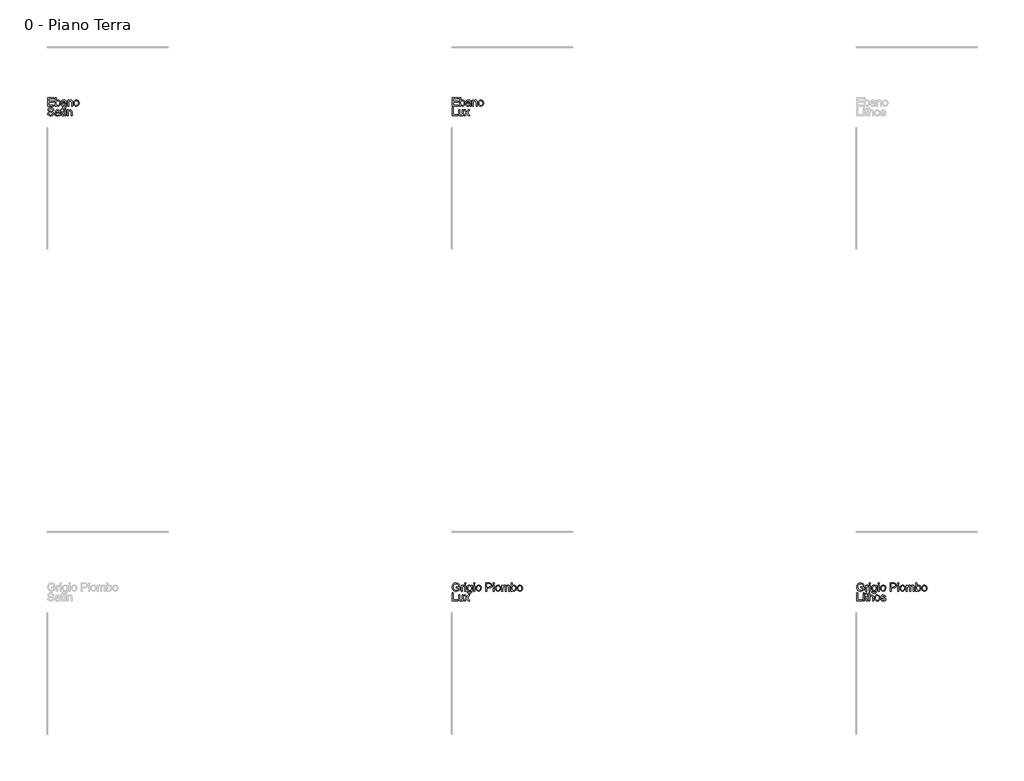
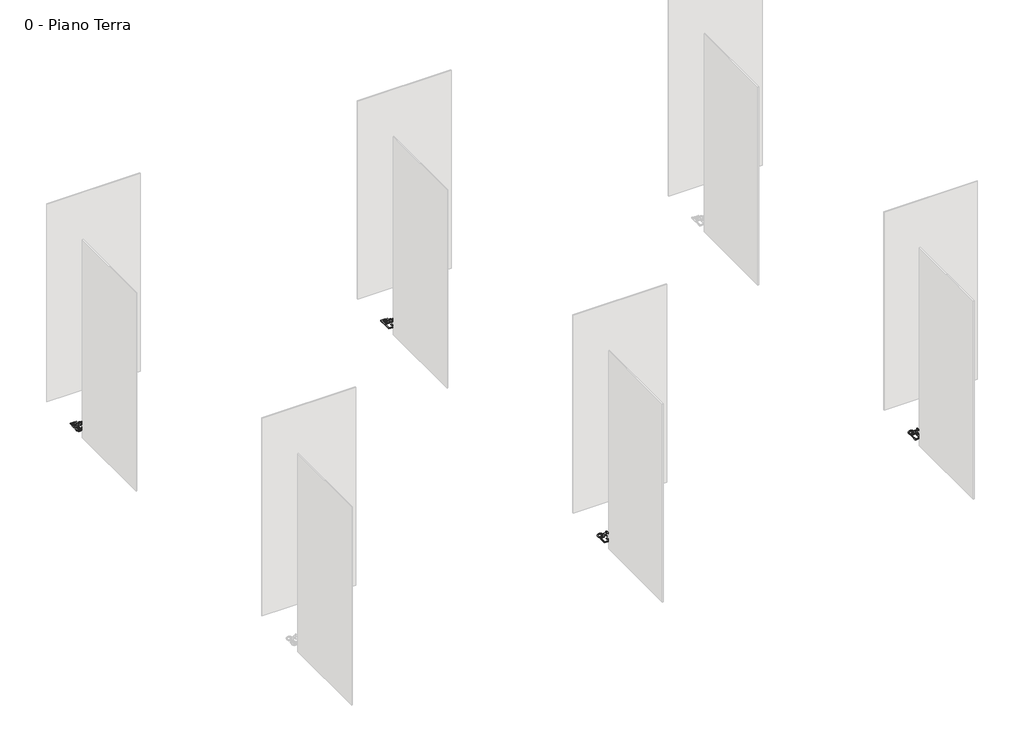
# One storey, part 24 of 35: 4 proxies.
"""IFC4 building model written with IfcOpenShell, lengths in millimetres."""

from ifc_helpers import new_model, si_unit, origin, origin_with_axes, place, context, project, spatial, polyline, outline, extrude, element, save

model = new_model("IFC4")

# Units and contexts
model_context = context("Model", 3, world=origin())
ifc_project = project(units=[si_unit("LENGTHUNIT", "METRE", prefix="MILLI")], contexts=[model_context])

# Site, building, storey
site = spatial("IfcSite", under=ifc_project)
building = spatial("IfcBuilding", under=site)
storey = spatial("IfcBuildingStorey", under=building, Name="0 - Piano Terra", Elevation=0.0)

# Proxies
placement = place(None, origin())
element("IfcBuildingElementProxy", 1, Name="Testo modello 1", ObjectType="Testo modello 1", at=placement, inside=storey, context=model_context, shape_type="SweptSolid", body=[
    extrude(outline(polyline([(2731.7292491, -36273.7592352), (2731.7292491, -36173.302925), (2803.932222, -36173.302925), (2803.932222, -36185.8599638), (2744.2862878, -36185.8599638), (2744.2862878, -36215.6829308), (2800.7929623, -36215.6829308), (2800.7929623, -36228.2399696), (2744.2862878, -36228.2399696), (2744.2862878, -36261.2021964), (2805.5018518, -36261.2021964), (2805.5018518, -36273.7592352), (2731.7292491, -36273.7592352)])), origin_with_axes(), (0.0, 0.0, 1.0), 10.0),
    extrude(outline(polyline([(2835.3248189, -36273.7592352), (2822.7677801, -36273.7592352), (2822.7677801, -36173.302925), (2835.3248189, -36173.302925), (2835.3248189, -36210.5571084), (2844.1171986, -36201.452029), (2855.0432939, -36198.4170025), (2867.6248581, -36201.151592), (2877.3859937, -36208.8403257), (2883.3824702, -36220.7964906), (2885.552974, -36235.7692878), (2883.3058281, -36252.532444), (2876.5643906, -36265.0036437), (2866.6714306, -36272.7475597), (2854.9697175, -36275.328865), (2843.8044989, -36271.9995329), (2835.3248189, -36262.0115368), (2835.3248189, -36273.7592352)]), holes=[polyline([(2835.3248189, -36236.357899), (2838.7583842, -36253.9181329), (2845.3373406, -36260.5584029), (2853.8905969, -36262.7718262), (2861.1378722, -36261.1408827), (2867.3305525, -36256.2480522), (2871.5795895, -36248.1239915), (2872.9959352, -36236.7993574), (2871.6378375, -36225.3091764), (2867.5635444, -36217.2770862), (2861.5640022, -36212.5498025), (2854.4301572, -36210.9740413), (2847.1828819, -36212.6049848), (2840.9902016, -36217.4978154), (2836.7411646, -36225.4747233), (2835.3248189, -36236.357899)])]), origin_with_axes(), (0.0, 0.0, 1.0), 10.0),
    extrude(outline(polyline([(2946.768538, -36264.3414561), (2934.5916439, -36272.8517929), (2921.1394257, -36275.328865), (2910.6455917, -36273.8389429), (2902.9047414, -36269.3691767), (2898.1314725, -36262.5817539), (2896.5403829, -36254.1388621), (2898.9438786, -36244.2060482), (2905.2591862, -36236.9955611), (2914.0515659, -36232.8752828), (2924.9163475, -36230.9868218), (2946.6949616, -36226.6703398), (2946.768538, -36223.8744366), (2943.3104472, -36214.6038103), (2929.4290333, -36210.9740413), (2916.7248417, -36213.3897997), (2910.6670515, -36221.9614502), (2898.1100128, -36220.3918204), (2903.5424036, -36208.1290872), (2914.4807615, -36200.9431256), (2931.0477141, -36198.4170025), (2946.2657659, -36200.64882), (2954.8619419, -36206.252889), (2958.7124401, -36214.7754886), (2959.3255768, -36225.7628975), (2959.3255768, -36241.3856196), (2959.9632389, -36263.2010219), (2962.4648365, -36273.7592352), (2949.9077977, -36273.7592352), (2946.768538, -36264.3414561)]), holes=[polyline([(2946.768538, -36239.2273785), (2926.5105028, -36243.0778768), (2915.7070349, -36245.1134905), (2910.8142043, -36248.4244284), (2909.0974217, -36253.2559453), (2912.8375553, -36260.0494995), (2923.8127015, -36262.7718262), (2936.5168931, -36259.7674566), (2944.7083988, -36252.4956558), (2946.6949616, -36242.7835712), (2946.768538, -36239.2273785)])]), origin_with_axes(), (0.0, 0.0, 1.0), 10.0),
    extrude(outline(polyline([(2976.5915051, -36273.7592352), (2976.5915051, -36199.9866324), (2989.1485438, -36199.9866324), (2989.1485438, -36210.2873283), (2998.7502639, -36201.384584), (3011.8591257, -36198.4170025), (3023.7171886, -36200.8082355), (3031.8105925, -36207.0867549), (3035.5752516, -36216.320593), (3036.2374392, -36228.4606988), (3036.2374392, -36273.7592352), (3023.6804004, -36273.7592352), (3023.6804004, -36230.152956), (3022.2333979, -36219.0429197), (3017.1198382, -36213.1690705), (3008.4991368, -36210.9740413), (2994.8752402, -36215.90366), (2990.5802179, -36223.0467021), (2989.1485438, -36234.6165909), (2989.1485438, -36273.7592352), (2976.5915051, -36273.7592352)])), origin_with_axes(), (0.0, 0.0, 1.0), 10.0),
    extrude(outline(polyline([(3050.3641078, -36236.8729338), (3053.0803032, -36219.0858393), (3061.2288894, -36206.5839828), (3071.2965934, -36200.4587476), (3083.3508601, -36198.4170025), (3096.5424953, -36200.9032717), (3107.0792488, -36208.3620791), (3113.9862332, -36220.2048137), (3116.2885614, -36235.8428642), (3112.217334, -36258.185564), (3100.359271, -36270.8284419), (3083.3508601, -36275.328865), (3069.9998093, -36272.8517929), (3059.4753186, -36265.4205766), (3052.6419105, -36253.3295217), (3050.3641078, -36236.8729338)]), holes=[polyline([(3062.9211466, -36236.8484083), (3064.3742805, -36248.2128963), (3068.7336821, -36256.3093658), (3075.2942444, -36261.1562111), (3083.3508601, -36262.7718262), (3091.3706876, -36261.1470141), (3097.9189871, -36256.2725776), (3102.2783887, -36248.0688092), (3103.7315226, -36236.4560008), (3102.2691917, -36225.4226067), (3097.8821989, -36217.4365017), (3091.3247023, -36212.5896564), (3083.3508601, -36210.9740413), (3075.2942444, -36212.583525), (3068.7336821, -36217.4119762), (3064.3742805, -36225.4900517), (3062.9211466, -36236.8484083)])]), origin_with_axes(), (0.0, 0.0, 1.0), 10.0),
    extrude(outline(polyline([(2727.0203595, -36361.2021964), (2739.5773983, -36361.2021964), (2743.6241003, -36373.7714979), (2753.5078632, -36381.717749), (2768.5664995, -36384.7466441), (2781.687624, -36382.453513), (2790.1611726, -36376.1504681), (2792.9448131, -36367.7259704), (2790.8601484, -36359.8900839), (2782.3252861, -36354.187913), (2764.041551, -36349.3931843), (2744.3598642, -36343.2005041), (2733.6790237, -36333.8563014), (2730.1596192, -36321.372839), (2734.5128895, -36307.1603313), (2747.2293438, -36297.1294156), (2765.8441728, -36293.708113), (2785.7098005, -36297.2888311), (2798.9535523, -36307.8102561), (2803.932222, -36323.5310801), (2791.3751832, -36323.5310801), (2789.0697894, -36316.0385501), (2784.262798, -36310.6306848), (2766.3346821, -36306.2651518), (2748.3575153, -36310.5816338), (2742.716658, -36321.004957), (2746.714309, -36329.7114976), (2767.2175989, -36336.725781), (2789.4376714, -36343.0288258), (2801.59004, -36353.2068944), (2805.5018518, -36367.4071394), (2801.0014288, -36382.4289875), (2788.0519825, -36393.391871), (2769.0570089, -36397.3036828), (2746.6284699, -36393.0853026), (2732.4404876, -36380.3811111), (2727.0203595, -36361.2021964)])), origin_with_axes(), (0.0, 0.0, 1.0), 10.0),
    extrude(outline(polyline([(2869.8566755, -36386.3162739), (2857.6797815, -36394.8266107), (2844.2275632, -36397.3036828), (2833.7337293, -36395.8137608), (2825.992879, -36391.3439945), (2821.2196101, -36384.5565717), (2819.6285205, -36376.1136799), (2822.0320162, -36366.1808661), (2828.3473237, -36358.9703789), (2837.1397034, -36354.8501006), (2848.004485, -36352.9616397), (2869.7830991, -36348.6451576), (2869.8566755, -36345.8492545), (2866.3985848, -36336.5786282), (2852.5171708, -36332.9488592), (2839.8129793, -36335.3646176), (2833.7551891, -36343.9362681), (2821.1981503, -36342.3666382), (2826.6305411, -36330.1039051), (2837.5688991, -36322.9179434), (2854.1358516, -36320.3918204), (2869.3539035, -36322.6236378), (2877.9500794, -36328.2277069), (2881.8005776, -36336.7503064), (2882.4137143, -36347.7377154), (2882.4137143, -36363.3604374), (2883.0513764, -36385.1758397), (2885.552974, -36395.734053), (2872.9959352, -36395.734053), (2869.8566755, -36386.3162739)]), holes=[polyline([(2869.8566755, -36361.2021964), (2849.5986403, -36365.0526946), (2838.7951724, -36367.0883083), (2833.9023419, -36370.3992463), (2832.1855592, -36375.2307631), (2835.9256928, -36382.0243173), (2846.900839, -36384.7466441), (2859.6050306, -36381.7422744), (2867.7965364, -36374.4704737), (2869.7830991, -36364.758389), (2869.8566755, -36361.2021964)])]), origin_with_axes(), (0.0, 0.0, 1.0), 10.0),
    extrude(outline(polyline([(2926.36335, -36385.2616789), (2927.9329798, -36396.101935), (2918.5397262, -36397.3036828), (2908.0183012, -36395.2190182), (2902.7698514, -36389.7498392), (2901.2492725, -36375.5005433), (2901.2492725, -36334.518489), (2891.8314934, -36334.518489), (2891.8314934, -36321.9614502), (2901.2492725, -36321.9614502), (2901.2492725, -36304.0333343), (2913.8063112, -36296.651169), (2913.8063112, -36321.9614502), (2926.36335, -36321.9614502), (2926.36335, -36334.518489), (2913.8063112, -36334.518489), (2913.8063112, -36375.1326613), (2914.4684988, -36381.6073844), (2916.6144771, -36383.9005155), (2920.894171, -36384.7466441), (2926.36335, -36385.2616789)])), origin_with_axes(), (0.0, 0.0, 1.0), 10.0),
    extrude(outline(polyline([(2938.9203888, -36395.734053), (2938.9203888, -36321.9614502), (2951.4774275, -36321.9614502), (2951.4774275, -36395.734053), (2938.9203888, -36395.734053)])), origin_with_axes(), (0.0, 0.0, 1.0), 10.0),
    extrude(outline(polyline([(2938.9203888, -36307.8347816), (2938.9203888, -36295.2777428), (2951.4774275, -36295.2777428), (2951.4774275, -36307.8347816), (2938.9203888, -36307.8347816)])), origin_with_axes(), (0.0, 0.0, 1.0), 10.0),
    extrude(outline(polyline([(2970.3129857, -36395.734053), (2970.3129857, -36321.9614502), (2982.8700244, -36321.9614502), (2982.8700244, -36332.2621461), (2992.4717445, -36323.3594018), (3005.5806063, -36320.3918204), (3017.4386693, -36322.7830534), (3025.5320732, -36329.0615727), (3029.2967322, -36338.2954108), (3029.9589198, -36350.4355167), (3029.9589198, -36395.734053), (3017.4018811, -36395.734053), (3017.4018811, -36352.1277738), (3015.9548785, -36341.0177376), (3010.8413188, -36335.1438884), (3002.2206174, -36332.9488592), (2988.5967208, -36337.8784779), (2984.3016985, -36345.02152), (2982.8700244, -36356.5914087), (2982.8700244, -36395.734053), (2970.3129857, -36395.734053)])), origin_with_axes(), (0.0, 0.0, 1.0), 10.0),
])
element("IfcBuildingElementProxy", 2, Name="Testo modello 1", ObjectType="Testo modello 1", at=placement, inside=storey, context=model_context, shape_type="SweptSolid", body=[
    extrude(outline(polyline([(7731.7292491, -36273.7592352), (7731.7292491, -36173.302925), (7803.932222, -36173.302925), (7803.932222, -36185.8599638), (7744.2862878, -36185.8599638), (7744.2862878, -36215.6829308), (7800.7929623, -36215.6829308), (7800.7929623, -36228.2399696), (7744.2862878, -36228.2399696), (7744.2862878, -36261.2021964), (7805.5018518, -36261.2021964), (7805.5018518, -36273.7592352), (7731.7292491, -36273.7592352)])), origin_with_axes(), (0.0, 0.0, 1.0), 10.0),
    extrude(outline(polyline([(7835.3248189, -36273.7592352), (7822.7677801, -36273.7592352), (7822.7677801, -36173.302925), (7835.3248189, -36173.302925), (7835.3248189, -36210.5571084), (7844.1171986, -36201.452029), (7855.0432939, -36198.4170025), (7867.6248581, -36201.151592), (7877.3859937, -36208.8403257), (7883.3824702, -36220.7964906), (7885.552974, -36235.7692878), (7883.3058281, -36252.532444), (7876.5643906, -36265.0036437), (7866.6714306, -36272.7475597), (7854.9697175, -36275.328865), (7843.8044989, -36271.9995329), (7835.3248189, -36262.0115368), (7835.3248189, -36273.7592352)]), holes=[polyline([(7835.3248189, -36236.357899), (7838.7583842, -36253.9181329), (7845.3373406, -36260.5584029), (7853.8905969, -36262.7718262), (7861.1378722, -36261.1408827), (7867.3305525, -36256.2480522), (7871.5795895, -36248.1239915), (7872.9959352, -36236.7993574), (7871.6378375, -36225.3091764), (7867.5635444, -36217.2770862), (7861.5640022, -36212.5498025), (7854.4301572, -36210.9740413), (7847.1828819, -36212.6049848), (7840.9902016, -36217.4978154), (7836.7411646, -36225.4747233), (7835.3248189, -36236.357899)])]), origin_with_axes(), (0.0, 0.0, 1.0), 10.0),
    extrude(outline(polyline([(7946.768538, -36264.3414561), (7934.5916439, -36272.8517929), (7921.1394257, -36275.328865), (7910.6455917, -36273.8389429), (7902.9047414, -36269.3691767), (7898.1314725, -36262.5817539), (7896.5403829, -36254.1388621), (7898.9438786, -36244.2060482), (7905.2591862, -36236.9955611), (7914.0515659, -36232.8752828), (7924.9163475, -36230.9868218), (7946.6949616, -36226.6703398), (7946.768538, -36223.8744366), (7943.3104472, -36214.6038103), (7929.4290333, -36210.9740413), (7916.7248417, -36213.3897997), (7910.6670515, -36221.9614502), (7898.1100128, -36220.3918204), (7903.5424036, -36208.1290872), (7914.4807615, -36200.9431256), (7931.0477141, -36198.4170025), (7946.2657659, -36200.64882), (7954.8619419, -36206.252889), (7958.7124401, -36214.7754886), (7959.3255768, -36225.7628975), (7959.3255768, -36241.3856196), (7959.9632389, -36263.2010219), (7962.4648365, -36273.7592352), (7949.9077977, -36273.7592352), (7946.768538, -36264.3414561)]), holes=[polyline([(7946.768538, -36239.2273785), (7926.5105028, -36243.0778768), (7915.7070349, -36245.1134905), (7910.8142043, -36248.4244284), (7909.0974217, -36253.2559453), (7912.8375553, -36260.0494995), (7923.8127015, -36262.7718262), (7936.5168931, -36259.7674566), (7944.7083988, -36252.4956558), (7946.6949616, -36242.7835712), (7946.768538, -36239.2273785)])]), origin_with_axes(), (0.0, 0.0, 1.0), 10.0),
    extrude(outline(polyline([(7976.5915051, -36273.7592352), (7976.5915051, -36199.9866324), (7989.1485438, -36199.9866324), (7989.1485438, -36210.2873283), (7998.7502639, -36201.384584), (8011.8591257, -36198.4170025), (8023.7171886, -36200.8082355), (8031.8105925, -36207.0867549), (8035.5752516, -36216.320593), (8036.2374392, -36228.4606988), (8036.2374392, -36273.7592352), (8023.6804004, -36273.7592352), (8023.6804004, -36230.152956), (8022.2333979, -36219.0429197), (8017.1198382, -36213.1690705), (8008.4991368, -36210.9740413), (7994.8752402, -36215.90366), (7990.5802179, -36223.0467021), (7989.1485438, -36234.6165909), (7989.1485438, -36273.7592352), (7976.5915051, -36273.7592352)])), origin_with_axes(), (0.0, 0.0, 1.0), 10.0),
    extrude(outline(polyline([(8050.3641078, -36236.8729338), (8053.0803032, -36219.0858393), (8061.2288894, -36206.5839828), (8071.2965934, -36200.4587476), (8083.3508601, -36198.4170025), (8096.5424953, -36200.9032717), (8107.0792488, -36208.3620791), (8113.9862332, -36220.2048137), (8116.2885614, -36235.8428642), (8112.217334, -36258.185564), (8100.359271, -36270.8284419), (8083.3508601, -36275.328865), (8069.9998093, -36272.8517929), (8059.4753186, -36265.4205766), (8052.6419105, -36253.3295217), (8050.3641078, -36236.8729338)]), holes=[polyline([(8062.9211466, -36236.8484083), (8064.3742805, -36248.2128963), (8068.7336821, -36256.3093658), (8075.2942444, -36261.1562111), (8083.3508601, -36262.7718262), (8091.3706876, -36261.1470141), (8097.9189871, -36256.2725776), (8102.2783887, -36248.0688092), (8103.7315226, -36236.4560008), (8102.2691917, -36225.4226067), (8097.8821989, -36217.4365017), (8091.3247023, -36212.5896564), (8083.3508601, -36210.9740413), (8075.2942444, -36212.583525), (8068.7336821, -36217.4119762), (8064.3742805, -36225.4900517), (8062.9211466, -36236.8484083)])]), origin_with_axes(), (0.0, 0.0, 1.0), 10.0),
    extrude(outline(polyline([(7731.7292491, -36395.734053), (7731.7292491, -36295.2777428), (7744.2862878, -36295.2777428), (7744.2862878, -36383.1770142), (7794.5144429, -36383.1770142), (7794.5144429, -36395.734053), (7731.7292491, -36395.734053)])), origin_with_axes(), (0.0, 0.0, 1.0), 10.0),
    extrude(outline(polyline([(7854.1603771, -36395.734053), (7854.1603771, -36383.0543869), (7844.3256651, -36393.7413589), (7831.4988462, -36397.3036828), (7819.6898341, -36394.8020853), (7811.5473793, -36388.5235659), (7807.8072457, -36379.2774651), (7807.0714817, -36367.6033431), (7807.0714817, -36321.9614502), (7819.6285205, -36321.9614502), (7819.6285205, -36361.6927057), (7820.3888099, -36374.4949991), (7825.3552168, -36382.0120546), (7834.7116823, -36384.7466441), (7845.1963191, -36381.9507409), (7852.1247634, -36374.3355836), (7854.1603771, -36360.3438051), (7854.1603771, -36321.9614502), (7866.7174158, -36321.9614502), (7866.7174158, -36395.734053), (7854.1603771, -36395.734053)])), origin_with_axes(), (0.0, 0.0, 1.0), 10.0),
    extrude(outline(polyline([(7876.1351949, -36395.734053), (7902.9660551, -36358.6515479), (7877.7048248, -36321.9614502), (7892.812512, -36321.9614502), (7905.0016688, -36339.619786), (7910.691577, -36347.9584446), (7915.6211957, -36341.1403649), (7929.5026097, -36321.9614502), (7944.610297, -36321.9614502), (7918.0737424, -36358.6515479), (7943.6292783, -36395.734053), (7928.521591, -36395.734053), (7913.1441236, -36373.4404041), (7910.323695, -36369.3691767), (7891.2428822, -36395.734053), (7876.1351949, -36395.734053)])), origin_with_axes(), (0.0, 0.0, 1.0), 10.0),
])
element("IfcBuildingElementProxy", 3, Name="Testo modello 1", ObjectType="Testo modello 1", at=placement, inside=storey, context=model_context, shape_type="SweptSolid", body=[
    extrude(outline(polyline([(7778.8181445, -42234.518489), (7778.8181445, -42221.9614502), (7819.6285205, -42221.9614502), (7819.6285205, -42259.5099392), (7799.4808499, -42271.3557394), (7778.1804823, -42275.328865), (7764.0936676, -42273.7500381), (7751.3618849, -42269.0135574), (7740.7852775, -42261.2849698), (7733.1639889, -42250.7298223), (7728.5562669, -42238.0685503), (7727.0203595, -42224.0215894), (7728.5501355, -42209.873461), (7733.1394634, -42196.7124826), (7740.5982708, -42185.6729571), (7750.7364855, -42177.8891872), (7763.0850578, -42173.2722682), (7777.1749382, -42171.7332952), (7796.8198368, -42175.3017505), (7810.5908861, -42185.2345644), (7818.1815179, -42201.8505678), (7806.6054978, -42205.1124549), (7800.8788014, -42193.4996465), (7791.0931404, -42186.8041942), (7776.9787345, -42184.2903339), (7760.9022913, -42187.000398), (7749.9639333, -42194.1127832), (7743.5014729, -42203.7880797), (7739.5773983, -42223.5065546), (7744.2985506, -42245.3955333), (7758.0328117, -42258.4921324), (7777.1749382, -42262.7718262), (7794.3550274, -42259.5467274), (7807.0714817, -42252.6673341), (7807.0714817, -42234.518489), (7778.8181445, -42234.518489)])), origin_with_axes(), (0.0, 0.0, 1.0), 10.0),
    extrude(outline(polyline([(7838.4640786, -42273.7592352), (7838.4640786, -42199.9866324), (7849.4514875, -42199.9866324), (7849.4514875, -42210.9004649), (7857.2505858, -42200.8450237), (7865.0987351, -42198.4170025), (7877.7048248, -42202.2920262), (7873.51097, -42213.5492153), (7864.6818021, -42210.9740413), (7857.5816796, -42213.4511134), (7853.0567311, -42220.318244), (7851.0211174, -42234.9844729), (7851.0211174, -42273.7592352), (7838.4640786, -42273.7592352)])), origin_with_axes(), (0.0, 0.0, 1.0), 10.0),
    extrude(outline(polyline([(7885.552974, -42185.8599638), (7885.552974, -42173.302925), (7898.1100128, -42173.302925), (7898.1100128, -42185.8599638), (7885.552974, -42185.8599638)])), origin_with_axes(), (0.0, 0.0, 1.0), 10.0),
    extrude(outline(polyline([(7885.552974, -42273.7592352), (7885.552974, -42199.9866324), (7898.1100128, -42199.9866324), (7898.1100128, -42273.7592352), (7885.552974, -42273.7592352)])), origin_with_axes(), (0.0, 0.0, 1.0), 10.0),
    extrude(outline(polyline([(7913.8063112, -42280.0377545), (7926.36335, -42281.6073844), (7930.4345774, -42288.2292603), (7942.6237342, -42291.0251635), (7955.4750785, -42287.8613783), (7961.6064451, -42278.9831595), (7962.4648365, -42264.3414561), (7953.6234058, -42271.4047904), (7942.8444634, -42273.7592352), (7929.8980828, -42271.0185143), (7920.2442461, -42262.7963517), (7914.2385726, -42250.742085), (7912.2366814, -42236.5050518), (7915.8296622, -42217.0440942), (7926.2284599, -42203.2730449), (7942.2313267, -42198.4170025), (7953.4333335, -42201.1638548), (7962.4648365, -42209.4044115), (7962.4648365, -42199.9866324), (7975.0218752, -42199.9866324), (7975.0218752, -42263.6792685), (7971.5883099, -42288.0698448), (7960.7112656, -42299.4128729), (7942.3784795, -42303.5822022), (7930.6951605, -42302.1137399), (7921.4950449, -42297.708353), (7915.5936046, -42290.3537788), (7913.8063112, -42280.0377545)]), holes=[polyline([(7924.7937201, -42235.6466605), (7926.1334237, -42247.1644326), (7930.1525345, -42255.0830925), (7936.1949963, -42259.6724204), (7943.6047528, -42261.2021964), (7950.9593271, -42259.6816175), (7957.0324457, -42255.1198807), (7961.1067388, -42247.3023883), (7962.4648365, -42236.0145424), (7961.0668849, -42225.1283011), (7956.8730301, -42217.2893489), (7950.7110067, -42212.5528682), (7943.4085491, -42210.9740413), (7936.2379159, -42212.5283427), (7930.2261109, -42217.191247), (7926.1518178, -42224.9137032), (7924.7937201, -42235.6466605)])]), origin_with_axes(), (0.0, 0.0, 1.0), 10.0),
    extrude(outline(polyline([(7993.8574334, -42185.8599638), (7993.8574334, -42173.302925), (8006.4144721, -42173.302925), (8006.4144721, -42185.8599638), (7993.8574334, -42185.8599638)])), origin_with_axes(), (0.0, 0.0, 1.0), 10.0),
    extrude(outline(polyline([(7993.8574334, -42273.7592352), (7993.8574334, -42199.9866324), (8006.4144721, -42199.9866324), (8006.4144721, -42273.7592352), (7993.8574334, -42273.7592352)])), origin_with_axes(), (0.0, 0.0, 1.0), 10.0),
    extrude(outline(polyline([(8022.1107706, -42236.8729338), (8024.826966, -42219.0858393), (8032.9755522, -42206.5839828), (8043.0432561, -42200.4587476), (8055.0975228, -42198.4170025), (8068.289158, -42200.9032717), (8078.8259115, -42208.3620791), (8085.732896, -42220.2048137), (8088.0352241, -42235.8428642), (8083.9639967, -42258.185564), (8072.1059337, -42270.8284419), (8055.0975228, -42275.328865), (8041.7464721, -42272.8517929), (8031.2219813, -42265.4205766), (8024.3885733, -42253.3295217), (8022.1107706, -42236.8729338)]), holes=[polyline([(8034.6678094, -42236.8484083), (8036.1209433, -42248.2128963), (8040.4803449, -42256.3093658), (8047.0409071, -42261.1562111), (8055.0975228, -42262.7718262), (8063.1173503, -42261.1470141), (8069.6656498, -42256.2725776), (8074.0250515, -42248.0688092), (8075.4781854, -42236.4560008), (8074.0158544, -42225.4226067), (8069.6288616, -42217.4365017), (8063.0713651, -42212.5896564), (8055.0975228, -42210.9740413), (8047.0409071, -42212.583525), (8040.4803449, -42217.4119762), (8036.1209433, -42225.4900517), (8034.6678094, -42236.8484083)])]), origin_with_axes(), (0.0, 0.0, 1.0), 10.0),
    extrude(outline(polyline([(8142.9722688, -42273.7592352), (8142.9722688, -42173.302925), (8180.2019267, -42173.302925), (8195.2115121, -42174.2594182), (8207.4129316, -42178.956045), (8215.3223945, -42188.6681297), (8218.3145014, -42202.3656026), (8216.2942161, -42214.2052715), (8210.2333602, -42224.0706403), (8198.8995291, -42230.7293044), (8181.060318, -42232.9488592), (8155.5293075, -42232.9488592), (8155.5293075, -42273.7592352), (8142.9722688, -42273.7592352)]), holes=[polyline([(8155.5293075, -42220.3918204), (8181.796082, -42220.3918204), (8200.2882836, -42215.7810327), (8204.3901678, -42210.232146), (8205.7574626, -42202.807061), (8202.5323638, -42192.4082633), (8194.0588151, -42186.7183551), (8181.5017764, -42185.8599638), (8155.5293075, -42185.8599638), (8155.5293075, -42220.3918204)])]), origin_with_axes(), (0.0, 0.0, 1.0), 10.0),
    extrude(outline(polyline([(8234.0107998, -42185.8599638), (8234.0107998, -42173.302925), (8246.5678386, -42173.302925), (8246.5678386, -42185.8599638), (8234.0107998, -42185.8599638)])), origin_with_axes(), (0.0, 0.0, 1.0), 10.0),
    extrude(outline(polyline([(8234.0107998, -42273.7592352), (8234.0107998, -42199.9866324), (8246.5678386, -42199.9866324), (8246.5678386, -42273.7592352), (8234.0107998, -42273.7592352)])), origin_with_axes(), (0.0, 0.0, 1.0), 10.0),
    extrude(outline(polyline([(8262.2641371, -42236.8729338), (8264.9803325, -42219.0858393), (8273.1289186, -42206.5839828), (8283.1966226, -42200.4587476), (8295.2508893, -42198.4170025), (8308.4425245, -42200.9032717), (8318.979278, -42208.3620791), (8325.8862624, -42220.2048137), (8328.1885906, -42235.8428642), (8324.1173632, -42258.185564), (8312.2593002, -42270.8284419), (8295.2508893, -42275.328865), (8281.8998385, -42272.8517929), (8271.3753478, -42265.4205766), (8264.5419397, -42253.3295217), (8262.2641371, -42236.8729338)]), holes=[polyline([(8274.8211758, -42236.8484083), (8276.2743097, -42248.2128963), (8280.6337113, -42256.3093658), (8287.1942736, -42261.1562111), (8295.2508893, -42262.7718262), (8303.2707168, -42261.1470141), (8309.8190163, -42256.2725776), (8314.1784179, -42248.0688092), (8315.6315518, -42236.4560008), (8314.1692209, -42225.4226067), (8309.7822281, -42217.4365017), (8303.2247315, -42212.5896564), (8295.2508893, -42210.9740413), (8287.1942736, -42212.583525), (8280.6337113, -42217.4119762), (8276.2743097, -42225.4900517), (8274.8211758, -42236.8484083)])]), origin_with_axes(), (0.0, 0.0, 1.0), 10.0),
    extrude(outline(polyline([(8342.3152592, -42273.7592352), (8342.3152592, -42199.9866324), (8354.872298, -42199.9866324), (8354.872298, -42212.1267382), (8363.5052621, -42202.1816616), (8375.7925208, -42198.4170025), (8388.374085, -42202.255238), (8395.2902665, -42213.009655), (8405.0881903, -42202.0651657), (8417.4612881, -42198.4170025), (8426.9005269, -42199.9345158), (8433.8810878, -42204.4870555), (8438.1945042, -42212.1972489), (8439.6323097, -42223.1877235), (8439.6323097, -42273.7592352), (8427.0752709, -42273.7592352), (8427.0752709, -42228.5833261), (8425.9103112, -42218.0986893), (8421.691931, -42212.9360786), (8414.5182321, -42210.9740413), (8402.1696598, -42216.0017619), (8398.4816428, -42222.5439301), (8397.2523038, -42232.1149933), (8397.2523038, -42273.7592352), (8384.695265, -42273.7592352), (8384.695265, -42227.1853746), (8381.7889973, -42215.0207433), (8372.2608536, -42210.9740413), (8362.9657019, -42213.6718426), (8356.7852843, -42221.5690428), (8354.872298, -42236.5541027), (8354.872298, -42273.7592352), (8342.3152592, -42273.7592352)])), origin_with_axes(), (0.0, 0.0, 1.0), 10.0),
    extrude(outline(polyline([(8471.0249066, -42273.7592352), (8458.4678678, -42273.7592352), (8458.4678678, -42173.302925), (8471.0249066, -42173.302925), (8471.0249066, -42210.5571084), (8479.8172863, -42201.452029), (8490.7433815, -42198.4170025), (8503.3249458, -42201.151592), (8513.0860814, -42208.8403257), (8519.0825579, -42220.7964906), (8521.2530617, -42235.7692878), (8519.0059158, -42252.532444), (8512.2644782, -42265.0036437), (8502.3715183, -42272.7475597), (8490.6698051, -42275.328865), (8479.5045866, -42271.9995329), (8471.0249066, -42262.0115368), (8471.0249066, -42273.7592352)]), holes=[polyline([(8471.0249066, -42236.357899), (8474.4584719, -42253.9181329), (8481.0374282, -42260.5584029), (8489.5906846, -42262.7718262), (8496.8379599, -42261.1408827), (8503.0306402, -42256.2480522), (8507.2796772, -42248.1239915), (8508.6960229, -42236.7993574), (8507.3379252, -42225.3091764), (8503.2636321, -42217.2770862), (8497.2640899, -42212.5498025), (8490.1302449, -42210.9740413), (8482.8829696, -42212.6049848), (8476.6902893, -42217.4978154), (8472.4412523, -42225.4747233), (8471.0249066, -42236.357899)])]), origin_with_axes(), (0.0, 0.0, 1.0), 10.0),
    extrude(outline(polyline([(8532.2404706, -42236.8729338), (8534.956666, -42219.0858393), (8543.1052522, -42206.5839828), (8553.1729561, -42200.4587476), (8565.2272228, -42198.4170025), (8578.418858, -42200.9032717), (8588.9556115, -42208.3620791), (8595.862596, -42220.2048137), (8598.1649241, -42235.8428642), (8594.0936967, -42258.185564), (8582.2356337, -42270.8284419), (8565.2272228, -42275.328865), (8551.8761721, -42272.8517929), (8541.3516813, -42265.4205766), (8534.5182733, -42253.3295217), (8532.2404706, -42236.8729338)]), holes=[polyline([(8544.7975093, -42236.8484083), (8546.2506432, -42248.2128963), (8550.6100449, -42256.3093658), (8557.1706071, -42261.1562111), (8565.2272228, -42262.7718262), (8573.2470503, -42261.1470141), (8579.7953498, -42256.2725776), (8584.1547515, -42248.0688092), (8585.6078853, -42236.4560008), (8584.1455544, -42225.4226067), (8579.7585616, -42217.4365017), (8573.2010651, -42212.5896564), (8565.2272228, -42210.9740413), (8557.1706071, -42212.583525), (8550.6100449, -42217.4119762), (8546.2506432, -42225.4900517), (8544.7975093, -42236.8484083)])]), origin_with_axes(), (0.0, 0.0, 1.0), 10.0),
    extrude(outline(polyline([(7731.7292491, -42395.734053), (7731.7292491, -42295.2777428), (7744.2862878, -42295.2777428), (7744.2862878, -42383.1770142), (7794.5144429, -42383.1770142), (7794.5144429, -42395.734053), (7731.7292491, -42395.734053)])), origin_with_axes(), (0.0, 0.0, 1.0), 10.0),
    extrude(outline(polyline([(7854.1603771, -42395.734053), (7854.1603771, -42383.0543869), (7844.3256651, -42393.7413589), (7831.4988462, -42397.3036828), (7819.6898341, -42394.8020853), (7811.5473793, -42388.5235659), (7807.8072457, -42379.2774651), (7807.0714817, -42367.6033431), (7807.0714817, -42321.9614502), (7819.6285205, -42321.9614502), (7819.6285205, -42361.6927057), (7820.3888099, -42374.4949991), (7825.3552168, -42382.0120546), (7834.7116823, -42384.7466441), (7845.1963191, -42381.9507409), (7852.1247634, -42374.3355836), (7854.1603771, -42360.3438051), (7854.1603771, -42321.9614502), (7866.7174158, -42321.9614502), (7866.7174158, -42395.734053), (7854.1603771, -42395.734053)])), origin_with_axes(), (0.0, 0.0, 1.0), 10.0),
    extrude(outline(polyline([(7876.1351949, -42395.734053), (7902.9660551, -42358.6515479), (7877.7048248, -42321.9614502), (7892.812512, -42321.9614502), (7905.0016688, -42339.619786), (7910.691577, -42347.9584446), (7915.6211957, -42341.1403649), (7929.5026097, -42321.9614502), (7944.610297, -42321.9614502), (7918.0737424, -42358.6515479), (7943.6292783, -42395.734053), (7928.521591, -42395.734053), (7913.1441236, -42373.4404041), (7910.323695, -42369.3691767), (7891.2428822, -42395.734053), (7876.1351949, -42395.734053)])), origin_with_axes(), (0.0, 0.0, 1.0), 10.0),
])
element("IfcBuildingElementProxy", 4, Name="Testo modello 1", ObjectType="Testo modello 1", at=placement, inside=storey, context=model_context, shape_type="SweptSolid", body=[
    extrude(outline(polyline([(12778.8181445, -42234.518489), (12778.8181445, -42221.9614502), (12819.6285205, -42221.9614502), (12819.6285205, -42259.5099392), (12799.4808499, -42271.3557394), (12778.1804823, -42275.328865), (12764.0936676, -42273.7500381), (12751.3618849, -42269.0135574), (12740.7852775, -42261.2849698), (12733.1639889, -42250.7298223), (12728.5562669, -42238.0685503), (12727.0203595, -42224.0215894), (12728.5501355, -42209.873461), (12733.1394634, -42196.7124826), (12740.5982708, -42185.6729571), (12750.7364855, -42177.8891872), (12763.0850578, -42173.2722682), (12777.1749382, -42171.7332952), (12796.8198368, -42175.3017505), (12810.5908861, -42185.2345644), (12818.1815179, -42201.8505678), (12806.6054978, -42205.1124549), (12800.8788014, -42193.4996465), (12791.0931404, -42186.8041942), (12776.9787345, -42184.2903339), (12760.9022913, -42187.000398), (12749.9639333, -42194.1127832), (12743.5014729, -42203.7880797), (12739.5773983, -42223.5065546), (12744.2985506, -42245.3955333), (12758.0328117, -42258.4921324), (12777.1749382, -42262.7718262), (12794.3550274, -42259.5467274), (12807.0714817, -42252.6673341), (12807.0714817, -42234.518489), (12778.8181445, -42234.518489)])), origin_with_axes(), (0.0, 0.0, 1.0), 10.0),
    extrude(outline(polyline([(12838.4640786, -42273.7592352), (12838.4640786, -42199.9866324), (12849.4514875, -42199.9866324), (12849.4514875, -42210.9004649), (12857.2505858, -42200.8450237), (12865.0987351, -42198.4170025), (12877.7048248, -42202.2920262), (12873.51097, -42213.5492153), (12864.6818021, -42210.9740413), (12857.5816796, -42213.4511134), (12853.0567311, -42220.318244), (12851.0211174, -42234.9844729), (12851.0211174, -42273.7592352), (12838.4640786, -42273.7592352)])), origin_with_axes(), (0.0, 0.0, 1.0), 10.0),
    extrude(outline(polyline([(12885.552974, -42185.8599638), (12885.552974, -42173.302925), (12898.1100128, -42173.302925), (12898.1100128, -42185.8599638), (12885.552974, -42185.8599638)])), origin_with_axes(), (0.0, 0.0, 1.0), 10.0),
    extrude(outline(polyline([(12885.552974, -42273.7592352), (12885.552974, -42199.9866324), (12898.1100128, -42199.9866324), (12898.1100128, -42273.7592352), (12885.552974, -42273.7592352)])), origin_with_axes(), (0.0, 0.0, 1.0), 10.0),
    extrude(outline(polyline([(12913.8063112, -42280.0377545), (12926.36335, -42281.6073844), (12930.4345774, -42288.2292603), (12942.6237342, -42291.0251635), (12955.4750785, -42287.8613783), (12961.6064451, -42278.9831595), (12962.4648365, -42264.3414561), (12953.6234058, -42271.4047904), (12942.8444634, -42273.7592352), (12929.8980828, -42271.0185143), (12920.2442461, -42262.7963517), (12914.2385726, -42250.742085), (12912.2366814, -42236.5050518), (12915.8296622, -42217.0440942), (12926.2284599, -42203.2730449), (12942.2313267, -42198.4170025), (12953.4333335, -42201.1638548), (12962.4648365, -42209.4044115), (12962.4648365, -42199.9866324), (12975.0218752, -42199.9866324), (12975.0218752, -42263.6792685), (12971.5883099, -42288.0698448), (12960.7112656, -42299.4128729), (12942.3784795, -42303.5822022), (12930.6951605, -42302.1137399), (12921.4950449, -42297.708353), (12915.5936046, -42290.3537788), (12913.8063112, -42280.0377545)]), holes=[polyline([(12924.7937201, -42235.6466605), (12926.1334237, -42247.1644326), (12930.1525345, -42255.0830925), (12936.1949963, -42259.6724204), (12943.6047528, -42261.2021964), (12950.9593271, -42259.6816175), (12957.0324457, -42255.1198807), (12961.1067388, -42247.3023883), (12962.4648365, -42236.0145424), (12961.0668849, -42225.1283011), (12956.8730301, -42217.2893489), (12950.7110067, -42212.5528682), (12943.4085491, -42210.9740413), (12936.2379159, -42212.5283427), (12930.2261109, -42217.191247), (12926.1518178, -42224.9137032), (12924.7937201, -42235.6466605)])]), origin_with_axes(), (0.0, 0.0, 1.0), 10.0),
    extrude(outline(polyline([(12993.8574334, -42185.8599638), (12993.8574334, -42173.302925), (13006.4144721, -42173.302925), (13006.4144721, -42185.8599638), (12993.8574334, -42185.8599638)])), origin_with_axes(), (0.0, 0.0, 1.0), 10.0),
    extrude(outline(polyline([(12993.8574334, -42273.7592352), (12993.8574334, -42199.9866324), (13006.4144721, -42199.9866324), (13006.4144721, -42273.7592352), (12993.8574334, -42273.7592352)])), origin_with_axes(), (0.0, 0.0, 1.0), 10.0),
    extrude(outline(polyline([(13022.1107706, -42236.8729338), (13024.826966, -42219.0858393), (13032.9755522, -42206.5839828), (13043.0432561, -42200.4587476), (13055.0975228, -42198.4170025), (13068.289158, -42200.9032717), (13078.8259115, -42208.3620791), (13085.732896, -42220.2048137), (13088.0352241, -42235.8428642), (13083.9639967, -42258.185564), (13072.1059337, -42270.8284419), (13055.0975228, -42275.328865), (13041.7464721, -42272.8517929), (13031.2219813, -42265.4205766), (13024.3885733, -42253.3295217), (13022.1107706, -42236.8729338)]), holes=[polyline([(13034.6678094, -42236.8484083), (13036.1209433, -42248.2128963), (13040.4803449, -42256.3093658), (13047.0409071, -42261.1562111), (13055.0975228, -42262.7718262), (13063.1173503, -42261.1470141), (13069.6656498, -42256.2725776), (13074.0250515, -42248.0688092), (13075.4781854, -42236.4560008), (13074.0158544, -42225.4226067), (13069.6288616, -42217.4365017), (13063.0713651, -42212.5896564), (13055.0975228, -42210.9740413), (13047.0409071, -42212.583525), (13040.4803449, -42217.4119762), (13036.1209433, -42225.4900517), (13034.6678094, -42236.8484083)])]), origin_with_axes(), (0.0, 0.0, 1.0), 10.0),
    extrude(outline(polyline([(13142.9722688, -42273.7592352), (13142.9722688, -42173.302925), (13180.2019267, -42173.302925), (13195.2115121, -42174.2594182), (13207.4129316, -42178.956045), (13215.3223945, -42188.6681297), (13218.3145014, -42202.3656026), (13216.2942161, -42214.2052715), (13210.2333602, -42224.0706403), (13198.8995291, -42230.7293044), (13181.060318, -42232.9488592), (13155.5293075, -42232.9488592), (13155.5293075, -42273.7592352), (13142.9722688, -42273.7592352)]), holes=[polyline([(13155.5293075, -42220.3918204), (13181.796082, -42220.3918204), (13200.2882836, -42215.7810327), (13204.3901678, -42210.232146), (13205.7574626, -42202.807061), (13202.5323638, -42192.4082633), (13194.0588151, -42186.7183551), (13181.5017764, -42185.8599638), (13155.5293075, -42185.8599638), (13155.5293075, -42220.3918204)])]), origin_with_axes(), (0.0, 0.0, 1.0), 10.0),
    extrude(outline(polyline([(13234.0107998, -42185.8599638), (13234.0107998, -42173.302925), (13246.5678386, -42173.302925), (13246.5678386, -42185.8599638), (13234.0107998, -42185.8599638)])), origin_with_axes(), (0.0, 0.0, 1.0), 10.0),
    extrude(outline(polyline([(13234.0107998, -42273.7592352), (13234.0107998, -42199.9866324), (13246.5678386, -42199.9866324), (13246.5678386, -42273.7592352), (13234.0107998, -42273.7592352)])), origin_with_axes(), (0.0, 0.0, 1.0), 10.0),
    extrude(outline(polyline([(13262.2641371, -42236.8729338), (13264.9803325, -42219.0858393), (13273.1289186, -42206.5839828), (13283.1966226, -42200.4587476), (13295.2508893, -42198.4170025), (13308.4425245, -42200.9032717), (13318.979278, -42208.3620791), (13325.8862624, -42220.2048137), (13328.1885906, -42235.8428642), (13324.1173632, -42258.185564), (13312.2593002, -42270.8284419), (13295.2508893, -42275.328865), (13281.8998385, -42272.8517929), (13271.3753478, -42265.4205766), (13264.5419397, -42253.3295217), (13262.2641371, -42236.8729338)]), holes=[polyline([(13274.8211758, -42236.8484083), (13276.2743097, -42248.2128963), (13280.6337113, -42256.3093658), (13287.1942736, -42261.1562111), (13295.2508893, -42262.7718262), (13303.2707168, -42261.1470141), (13309.8190163, -42256.2725776), (13314.1784179, -42248.0688092), (13315.6315518, -42236.4560008), (13314.1692209, -42225.4226067), (13309.7822281, -42217.4365017), (13303.2247315, -42212.5896564), (13295.2508893, -42210.9740413), (13287.1942736, -42212.583525), (13280.6337113, -42217.4119762), (13276.2743097, -42225.4900517), (13274.8211758, -42236.8484083)])]), origin_with_axes(), (0.0, 0.0, 1.0), 10.0),
    extrude(outline(polyline([(13342.3152592, -42273.7592352), (13342.3152592, -42199.9866324), (13354.872298, -42199.9866324), (13354.872298, -42212.1267382), (13363.5052621, -42202.1816616), (13375.7925208, -42198.4170025), (13388.374085, -42202.255238), (13395.2902665, -42213.009655), (13405.0881903, -42202.0651657), (13417.4612881, -42198.4170025), (13426.9005269, -42199.9345158), (13433.8810878, -42204.4870555), (13438.1945042, -42212.1972489), (13439.6323097, -42223.1877235), (13439.6323097, -42273.7592352), (13427.0752709, -42273.7592352), (13427.0752709, -42228.5833261), (13425.9103112, -42218.0986893), (13421.691931, -42212.9360786), (13414.5182321, -42210.9740413), (13402.1696598, -42216.0017619), (13398.4816428, -42222.5439301), (13397.2523038, -42232.1149933), (13397.2523038, -42273.7592352), (13384.695265, -42273.7592352), (13384.695265, -42227.1853746), (13381.7889973, -42215.0207433), (13372.2608536, -42210.9740413), (13362.9657019, -42213.6718426), (13356.7852843, -42221.5690428), (13354.872298, -42236.5541027), (13354.872298, -42273.7592352), (13342.3152592, -42273.7592352)])), origin_with_axes(), (0.0, 0.0, 1.0), 10.0),
    extrude(outline(polyline([(13471.0249066, -42273.7592352), (13458.4678678, -42273.7592352), (13458.4678678, -42173.302925), (13471.0249066, -42173.302925), (13471.0249066, -42210.5571084), (13479.8172863, -42201.452029), (13490.7433815, -42198.4170025), (13503.3249458, -42201.151592), (13513.0860814, -42208.8403257), (13519.0825579, -42220.7964906), (13521.2530617, -42235.7692878), (13519.0059158, -42252.532444), (13512.2644782, -42265.0036437), (13502.3715183, -42272.7475597), (13490.6698051, -42275.328865), (13479.5045866, -42271.9995329), (13471.0249066, -42262.0115368), (13471.0249066, -42273.7592352)]), holes=[polyline([(13471.0249066, -42236.357899), (13474.4584719, -42253.9181329), (13481.0374282, -42260.5584029), (13489.5906846, -42262.7718262), (13496.8379599, -42261.1408827), (13503.0306402, -42256.2480522), (13507.2796772, -42248.1239915), (13508.6960229, -42236.7993574), (13507.3379252, -42225.3091764), (13503.2636321, -42217.2770862), (13497.2640899, -42212.5498025), (13490.1302449, -42210.9740413), (13482.8829696, -42212.6049848), (13476.6902893, -42217.4978154), (13472.4412523, -42225.4747233), (13471.0249066, -42236.357899)])]), origin_with_axes(), (0.0, 0.0, 1.0), 10.0),
    extrude(outline(polyline([(13532.2404706, -42236.8729338), (13534.956666, -42219.0858393), (13543.1052522, -42206.5839828), (13553.1729561, -42200.4587476), (13565.2272228, -42198.4170025), (13578.418858, -42200.9032717), (13588.9556115, -42208.3620791), (13595.862596, -42220.2048137), (13598.1649241, -42235.8428642), (13594.0936967, -42258.185564), (13582.2356337, -42270.8284419), (13565.2272228, -42275.328865), (13551.8761721, -42272.8517929), (13541.3516813, -42265.4205766), (13534.5182733, -42253.3295217), (13532.2404706, -42236.8729338)]), holes=[polyline([(13544.7975093, -42236.8484083), (13546.2506432, -42248.2128963), (13550.6100449, -42256.3093658), (13557.1706071, -42261.1562111), (13565.2272228, -42262.7718262), (13573.2470503, -42261.1470141), (13579.7953498, -42256.2725776), (13584.1547515, -42248.0688092), (13585.6078853, -42236.4560008), (13584.1455544, -42225.4226067), (13579.7585616, -42217.4365017), (13573.2010651, -42212.5896564), (13565.2272228, -42210.9740413), (13557.1706071, -42212.583525), (13550.6100449, -42217.4119762), (13546.2506432, -42225.4900517), (13544.7975093, -42236.8484083)])]), origin_with_axes(), (0.0, 0.0, 1.0), 10.0),
    extrude(outline(polyline([(12731.7292491, -42395.734053), (12731.7292491, -42295.2777428), (12744.2862878, -42295.2777428), (12744.2862878, -42383.1770142), (12794.5144429, -42383.1770142), (12794.5144429, -42395.734053), (12731.7292491, -42395.734053)])), origin_with_axes(), (0.0, 0.0, 1.0), 10.0),
    extrude(outline(polyline([(12807.0714817, -42307.8347816), (12807.0714817, -42295.2777428), (12819.6285205, -42295.2777428), (12819.6285205, -42307.8347816), (12807.0714817, -42307.8347816)])), origin_with_axes(), (0.0, 0.0, 1.0), 10.0),
    extrude(outline(polyline([(12807.0714817, -42395.734053), (12807.0714817, -42321.9614502), (12819.6285205, -42321.9614502), (12819.6285205, -42395.734053), (12807.0714817, -42395.734053)])), origin_with_axes(), (0.0, 0.0, 1.0), 10.0),
    extrude(outline(polyline([(12865.147786, -42385.2616789), (12866.7174158, -42396.101935), (12857.3241622, -42397.3036828), (12846.8027372, -42395.2190182), (12841.5542874, -42389.7498392), (12840.0337085, -42375.5005433), (12840.0337085, -42334.518489), (12830.6159294, -42334.518489), (12830.6159294, -42321.9614502), (12840.0337085, -42321.9614502), (12840.0337085, -42304.0333343), (12852.5907472, -42296.651169), (12852.5907472, -42321.9614502), (12865.147786, -42321.9614502), (12865.147786, -42334.518489), (12852.5907472, -42334.518489), (12852.5907472, -42375.1326613), (12853.2529348, -42381.6073844), (12855.3989131, -42383.9005155), (12859.678607, -42384.7466441), (12865.147786, -42385.2616789)])), origin_with_axes(), (0.0, 0.0, 1.0), 10.0),
    extrude(outline(polyline([(12877.7048248, -42395.734053), (12877.7048248, -42295.2777428), (12890.2618635, -42295.2777428), (12890.2618635, -42332.2130952), (12900.053656, -42323.3471391), (12912.114054, -42320.3918204), (12926.2161972, -42323.6169192), (12934.7755849, -42332.5319262), (12937.3507589, -42349.0375651), (12937.3507589, -42395.734053), (12924.7937201, -42395.734053), (12924.7937201, -42350.3374148), (12920.7960691, -42337.093663), (12909.4653037, -42332.9488592), (12899.1768705, -42335.7447623), (12892.30974, -42343.3231314), (12890.2618635, -42356.5423578), (12890.2618635, -42395.734053), (12877.7048248, -42395.734053)])), origin_with_axes(), (0.0, 0.0, 1.0), 10.0),
    extrude(outline(polyline([(12951.4774275, -42358.8477516), (12954.1936229, -42341.0606571), (12962.3422091, -42328.5588007), (12972.4099131, -42322.4335655), (12984.4641798, -42320.3918204), (12997.655815, -42322.8780895), (13008.1925685, -42330.336897), (13015.0995529, -42342.1796315), (13017.4018811, -42357.817682), (13013.3306537, -42380.1603819), (13001.4725907, -42392.8032598), (12984.4641798, -42397.3036828), (12971.113129, -42394.8266107), (12960.5886383, -42387.3953944), (12953.7552302, -42375.3043395), (12951.4774275, -42358.8477516)]), holes=[polyline([(12964.0344663, -42358.8232261), (12965.4876002, -42370.1877141), (12969.8470018, -42378.2841837), (12976.4075641, -42383.131029), (12984.4641798, -42384.7466441), (12992.4840073, -42383.1218319), (12999.0323068, -42378.2473955), (13003.3917084, -42370.043627), (13004.8448423, -42358.4308187), (13003.3825114, -42347.3974245), (12998.9955186, -42339.4113195), (12992.438022, -42334.5644742), (12984.4641798, -42332.9488592), (12976.4075641, -42334.5583429), (12969.8470018, -42339.3867941), (12965.4876002, -42347.4648695), (12964.0344663, -42358.8232261)])]), origin_with_axes(), (0.0, 0.0, 1.0), 10.0),
    extrude(outline(polyline([(13026.8196601, -42373.7592352), (13039.3766989, -42372.1896053), (13045.1892344, -42381.5092825), (13058.5065627, -42384.7466441), (13071.3088561, -42381.7790626), (13075.4781854, -42374.8138302), (13071.2843306, -42369.1729729), (13058.3594099, -42365.5922549), (13039.4502753, -42359.4486255), (13031.1974559, -42352.2749266), (13028.38929, -42342.145909), (13030.6456329, -42332.7894436), (13036.8015249, -42325.6402702), (13044.7845642, -42321.924662), (13055.5880322, -42320.3918204), (13070.8673977, -42322.8566298), (13080.5794824, -42329.5275566), (13084.8959644, -42340.7970084), (13072.3389257, -42342.3666382), (13067.6177734, -42335.438194), (13056.5690508, -42332.9488592), (13044.5515723, -42335.3278294), (13040.9463288, -42340.8705848), (13042.4423822, -42344.5248793), (13047.1267463, -42347.296257), (13057.9424769, -42349.9695328), (13076.3733649, -42355.8801702), (13084.9327526, -42362.5756225), (13088.0352241, -42373.489455), (13084.3931924, -42385.5069335), (13073.8840301, -42394.2257368), (13058.3348844, -42397.3036828), (13045.6736124, -42395.8198921), (13036.4336429, -42391.36852), (13030.2654882, -42383.9986174), (13026.8196601, -42373.7592352)])), origin_with_axes(), (0.0, 0.0, 1.0), 10.0),
])

save(model, "model.ifc")
